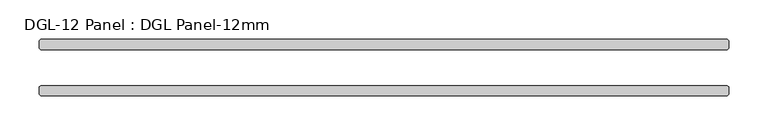
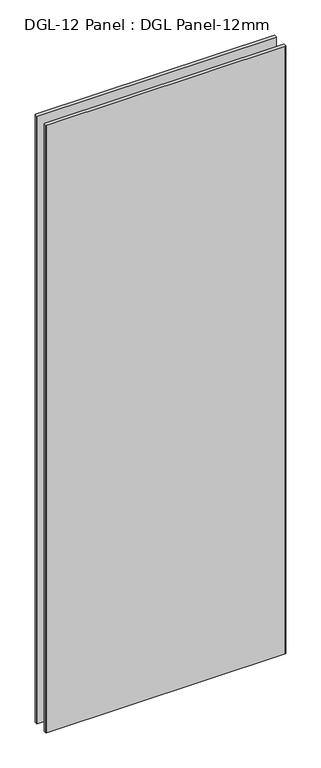
"""IFC4 building model written with IfcOpenShell, lengths in millimetres: plate geometry, DGL-12 Panel : DGL Panel-12mm."""

import ifcopenshell
import ifcopenshell.guid

model = None  # the IFC model being written
_history = None  # IfcOwnerHistory: only IFC2X3 demands one
_inside = {}  # id of a spatial element -> (the spatial element, [elements in it])
_under = {}  # id of a project, library or spatial element -> (it, [spatial elements below it])
_declared = {}  # id of a project -> (the project, [libraries it declares])
_typed = {}  # id of a type object -> (the type object, [elements of that type])
_made_of = {}  # id of a material, layer set ... -> (it, [elements and type objects made of it])


def new_model(schema):
    """Start an empty IFC model of exactly this schema.

    Asked for "IFC4X3", IfcOpenShell would pick the latest addendum, in which some entities
    have other attributes; the version numbers below select the first issue.
    IFC2X3 requires an IfcOwnerHistory on every rooted entity: one is made here for all.
    """
    global model, _history
    if schema == "IFC4X3":
        model = ifcopenshell.file(schema_version=(4, 3, 0, 0))
    else:
        model = ifcopenshell.file(schema=schema)
    _inside.clear()
    _under.clear()
    _declared.clear()
    _typed.clear()
    _made_of.clear()
    _history = None
    if model.schema == "IFC2X3":
        org = make("IfcOrganization", Name="unknown")
        user = make(
            "IfcPersonAndOrganization",
            ThePerson=make("IfcPerson", FamilyName="unknown"),
            TheOrganization=org,
        )
        app = make(
            "IfcApplication",
            ApplicationDeveloper=org,
            Version="unknown",
            ApplicationFullName="unknown",
            ApplicationIdentifier="unknown",
        )
        _history = make(
            "IfcOwnerHistory",
            OwningUser=user,
            OwningApplication=app,
            ChangeAction="ADDED",
            CreationDate=0,
        )
    return model


def make(cls, **values):
    """One entity of the class cls with the attributes given. An attribute that is None is left unset."""
    return model.create_entity(
        cls, **{name: value for name, value in values.items() if value is not None}
    )


def rooted(cls, **values):
    """An entity with a GlobalId (a new one), such as an element, a storey or a relation."""
    return make(cls, GlobalId=ifcopenshell.guid.new(), OwnerHistory=_history, **values)


def si_unit(unit_type, name, prefix=None):
    """IfcSIUnit, for example si_unit("LENGTHUNIT", "METRE", prefix="MILLI")."""
    return make("IfcSIUnit", UnitType=unit_type, Prefix=prefix, Name=name)


def assignment(units):
    """IfcUnitAssignment: the units of a project."""
    return None if units is None else make("IfcUnitAssignment", Units=units)


def point(xyz):
    """IfcCartesianPoint."""
    return None if xyz is None else make("IfcCartesianPoint", Coordinates=xyz)


def direction(xyz):
    """IfcDirection."""
    return None if xyz is None else make("IfcDirection", DirectionRatios=xyz)


def frame(location, z_axis=None, x_axis=None):
    """IfcAxis2Placement3D, a coordinate frame: its origin and axes. An axis left out is left unset."""
    return make(
        "IfcAxis2Placement3D",
        Location=point(location),
        Axis=direction(z_axis),
        RefDirection=direction(x_axis),
    )


def origin():
    """The frame at (0, 0, 0) with its axes left unset."""
    return frame((0.0, 0.0, 0.0))


def origin_with_axes():
    """The frame at (0, 0, 0) with the z axis (0, 0, 1) and the x axis (1, 0, 0) written out."""
    return frame((0.0, 0.0, 0.0), z_axis=(0.0, 0.0, 1.0), x_axis=(1.0, 0.0, 0.0))


def place(relative_to, where):
    """IfcLocalPlacement: puts the frame where relative to a parent placement (None: the world)."""
    return make(
        "IfcLocalPlacement", PlacementRelTo=relative_to, RelativePlacement=where
    )


def context(
    kind, dimensions, precision=None, world=None, true_north=None, identifier=None
):
    """IfcGeometricRepresentationContext, for example the 3D "Model" context."""
    return make(
        "IfcGeometricRepresentationContext",
        ContextIdentifier=identifier,
        ContextType=kind,
        CoordinateSpaceDimension=dimensions,
        Precision=precision,
        WorldCoordinateSystem=world,
        TrueNorth=true_north,
    )


def project(units=None, contexts=None):
    """IfcProject with its units and contexts."""
    return rooted(
        "IfcProject",
        Name="project",
        RepresentationContexts=contexts,
        UnitsInContext=assignment(units),
    )


def spatial(cls, under=None, at=None, **own):
    """A site, building, storey or space (cls), placed at a placement, below another one or the project."""
    s = rooted(cls, ObjectPlacement=at, **own)
    if under is not None:
        _under.setdefault(under.id(), (under, []))[1].append(s)
    return s


def polyline(points):
    """IfcPolyline through the points."""
    return make("IfcPolyline", Points=[point(p) for p in points])


def outline(outer, holes=None, kind="AREA"):
    """IfcArbitraryClosedProfileDef: a profile drawn as a closed curve; with holes, ...WithVoids."""
    if holes is None:
        return make("IfcArbitraryClosedProfileDef", ProfileType=kind, OuterCurve=outer)
    return make(
        "IfcArbitraryProfileDefWithVoids",
        ProfileType=kind,
        OuterCurve=outer,
        InnerCurves=holes,
    )


def extrude(swept, where, along, depth):
    """IfcExtrudedAreaSolid: the profile swept, set in the frame where, extruded along a direction by depth."""
    return make(
        "IfcExtrudedAreaSolid",
        SweptArea=swept,
        Position=where,
        ExtrudedDirection=direction(along),
        Depth=depth,
    )


def shape(context_of_items, identifier, shape_type, items):
    """IfcShapeRepresentation: the items that make up one representation, for example the "Body"."""
    return make(
        "IfcShapeRepresentation",
        ContextOfItems=context_of_items,
        RepresentationIdentifier=identifier,
        RepresentationType=shape_type,
        Items=items,
    )


def source(mapping_origin, context_of_items, identifier, shape_type, items):
    """IfcRepresentationMap: a shape defined once, which mapped items show again and again."""
    return make(
        "IfcRepresentationMap",
        MappingOrigin=mapping_origin,
        MappedRepresentation=shape(context_of_items, identifier, shape_type, items),
    )


def transform(
    local_origin,
    x_axis=None,
    y_axis=None,
    z_axis=None,
    scale=None,
    scale2=None,
    scale3=None,
    uniform=True,
):
    """IfcCartesianTransformationOperator3D, or its non-uniform kind. x_axis, y_axis, z_axis: its Axis1, 2, 3."""
    if uniform:
        return make(
            "IfcCartesianTransformationOperator3D",
            Axis1=direction(x_axis),
            Axis2=direction(y_axis),
            LocalOrigin=point(local_origin),
            Scale=scale,
            Axis3=direction(z_axis),
        )
    return make(
        "IfcCartesianTransformationOperator3DnonUniform",
        Axis1=direction(x_axis),
        Axis2=direction(y_axis),
        LocalOrigin=point(local_origin),
        Scale=scale,
        Axis3=direction(z_axis),
        Scale2=scale2,
        Scale3=scale3,
    )


def mapped(mapping_source, mapping_target):
    """IfcMappedItem: shows the shape of a source again, moved by a transform."""
    return make(
        "IfcMappedItem", MappingSource=mapping_source, MappingTarget=mapping_target
    )


def made_of(thing, what):
    """Note that an element or type object is made of a material, layer set ...; save() writes the relation."""
    if what is not None:
        _made_of.setdefault(what.id(), (what, []))[1].append(thing)
    return thing


def element(
    cls,
    number,
    at=None,
    inside=None,
    cuts=None,
    type_object=None,
    material=None,
    context=None,
    identifier="Body",
    shape_type=None,
    held_by="IfcProductDefinitionShape",
    body=None,
    shapes=None,
    **own,
):
    """One element of the class cls, such as IfcWall. Its Tag is "e" and its number.

    at: its placement. inside: the storey or other place that contains it. cuts: it is an
    opening in that element (IfcRelVoidsElement). A single representation is given by context,
    identifier, shape_type and body (its items); several are given by shapes. held_by: the class
    of the entity that holds the representations. save() writes the other relations.
    """
    e = rooted(cls, Tag="e%d" % number, ObjectPlacement=at, **own)
    if body is not None:
        shapes = [shape(context, identifier, shape_type, body)]
    if shapes is not None:
        e.Representation = make(held_by, Representations=shapes)
    if inside is not None:
        _inside.setdefault(inside.id(), (inside, []))[1].append(e)
    if cuts is not None:
        rooted(
            "IfcRelVoidsElement", RelatingBuildingElement=cuts, RelatedOpeningElement=e
        )
    if type_object is not None:
        _typed.setdefault(type_object.id(), (type_object, []))[1].append(e)
    return made_of(e, material)


def aggregate(whole, parts):
    """IfcRelAggregates: a whole, such as a stair, and the parts it consists of."""
    return rooted("IfcRelAggregates", RelatingObject=whole, RelatedObjects=parts)


def save(model, path):
    """Write the relations noted so far, then the file.

    IfcRelAggregates (storeys below a building ...), IfcRelContainedInSpatialStructure (elements
    in a storey), IfcRelDefinesByType, IfcRelAssociatesMaterial and IfcRelDeclares: one each for
    every whole, place, type object, material and project.
    """
    for whole, parts in _under.values():
        aggregate(whole, parts)
    for where, things in _inside.values():
        rooted(
            "IfcRelContainedInSpatialStructure",
            RelatedElements=things,
            RelatingStructure=where,
        )
    for kind, things in _typed.values():
        rooted("IfcRelDefinesByType", RelatedObjects=things, RelatingType=kind)
    for what, things in _made_of.values():
        rooted("IfcRelAssociatesMaterial", RelatedObjects=things, RelatingMaterial=what)
    for by, libraries in _declared.values():
        rooted("IfcRelDeclares", RelatingContext=by, RelatedDefinitions=libraries)
    model.write(path)


def dgl_12_panel_dgl_panel_12mm_c4092dc4(model_context):
    return source(origin(), model_context, "Body", "SweptSolid", [
        extrude(outline(polyline([(434.7770298, 22.9195313), (-434.7770298, 22.9195313), (-436.3645298, 24.5070313), (-436.3645298, 34.0320313), (-434.7770298, 35.6195313), (434.7770298, 35.6195313), (436.3645298, 34.0320313), (436.3645298, 24.5070313), (434.7770298, 22.9195313)])), origin_with_axes(), (0.0, 0.0, 1.0), 2339.4648576),
        extrude(outline(polyline([(434.7770298, -35.6195312), (-434.7770298, -35.6195312), (-436.3645298, -34.0320312), (-436.3645298, -24.5070312), (-434.7770298, -22.9195312), (434.7770298, -22.9195312), (436.3645298, -24.5070312), (436.3645298, -34.0320312), (434.7770298, -35.6195312)])), origin_with_axes(), (0.0, 0.0, 1.0), 2339.4648576),
    ])


if __name__ == "__main__":
    model = new_model("IFC4")
    model_context = context("Model", 3, world=origin())
    ifc_project = project(units=[si_unit("LENGTHUNIT", "METRE", prefix="MILLI")], contexts=[model_context])
    site = spatial("IfcSite", under=ifc_project)
    building = spatial("IfcBuilding", under=site)
    placement = place(None, origin())
    dgl_12_panel_dgl_panel_12mm_shape = dgl_12_panel_dgl_panel_12mm_c4092dc4(model_context)
    element("IfcPlate", 1, ObjectType="DGL-12 Panel : DGL Panel-12mm", at=placement, inside=building, context=model_context, shape_type="MappedRepresentation", body=[
        mapped(dgl_12_panel_dgl_panel_12mm_shape, transform((0.0, 0.0, 0.0), x_axis=(1.0, 0.0, 0.0), y_axis=(0.0, 1.0, 0.0), z_axis=(0.0, 0.0, 1.0))),
    ])
    save(model, "model.ifc")
